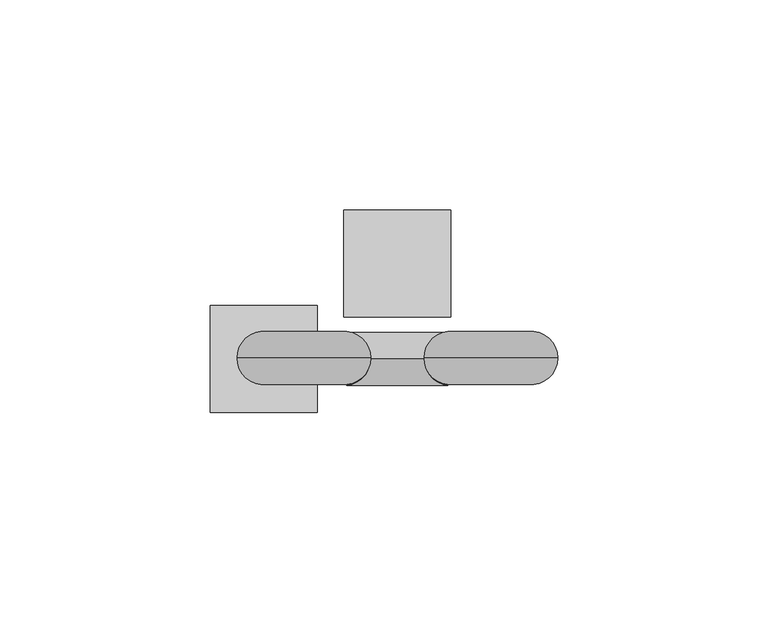
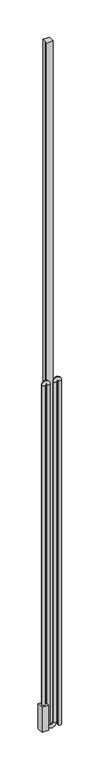
"""IFC4 building model written with IfcOpenShell, lengths in millimetres: proxy geometry."""

from ifc_helpers import new_model, si_unit, point, frame, origin, origin_with_axes, place, context, project, spatial, polyline, circle_curve, ellipse_curve, trimmed, outline, extrude, source, transform, mapped, element, save
from ifc_brep_helpers import plane_surface, cylinder_surface, revolved_surface, advanced_brep


def specialty_equipment_c77fc26e(model_context):
    return source(origin(), model_context, "Body", "SolidModel", [
        extrude(outline(polyline([(-19.05, -34.925), (-44.45, -34.925), (-44.45, -9.525), (-19.05, -9.525), (-19.05, -34.925)])), origin_with_axes(), (0.0, 0.0, 1.0), 101.6),
        advanced_brep(
        [(-25.4, -22.225, 101.6), (-38.1, -22.225, 101.6), (25.4, -22.225, 0.0), (38.1, -22.225, 0.0), (-25.4, -22.225, 1406.525), (-38.1, -22.225, 1406.525), (38.1, -22.225, 1406.525), (25.4, -22.225, 1406.525), (-6.35, -22.225, 1406.525), (-19.05, -22.225, 1406.525), (-19.05, -22.225, 15.875), (-6.35, -22.225, 15.875), (6.35, -22.225, 15.875), (19.05, -22.225, 15.875), (19.05, -22.225, 1406.525), (6.35, -22.225, 1406.525)],
        [
            (0, 1, circle_curve(frame((-31.75, -22.225, 101.6), z_axis=(0.0, 0.0, -1.0), x_axis=(-1.0, 0.0, 0.0)), 6.35)),
            (1, 0, circle_curve(frame((-31.75, -22.225, 101.6), z_axis=(0.0, 0.0, -1.0), x_axis=(-1.0, 0.0, 0.0)), 6.35)),
            (2, 3, circle_curve(frame((31.75, -22.225, 0.0), z_axis=(0.0, 0.0, -1.0), x_axis=(1.0, 0.0, 0.0)), 6.35)),
            (3, 2, circle_curve(frame((31.75, -22.225, 0.0), z_axis=(0.0, 0.0, -1.0), x_axis=(1.0, 0.0, 0.0)), 6.35)),
            (0, 4),
            (4, 5, circle_curve(frame((-31.75, -22.225, 1406.525), z_axis=(0.0, 0.0, -1.0), x_axis=(-1.0, 0.0, 0.0)), 6.35)),
            (5, 1),
            (5, 4, circle_curve(frame((-31.75, -22.225, 1406.525), z_axis=(0.0, 0.0, -1.0), x_axis=(-1.0, 0.0, 0.0)), 6.35)),
            (6, 7, circle_curve(frame((31.75, -22.225, 1406.525), z_axis=(0.0, 0.0, -1.0), x_axis=(1.0, 0.0, 0.0)), 6.35)),
            (7, 2),
            (3, 6),
            (7, 6, circle_curve(frame((31.75, -22.225, 1406.525), z_axis=(0.0, 0.0, -1.0), x_axis=(1.0, 0.0, 0.0)), 6.35)),
            (8, 5, circle_curve(frame((-22.225, -22.225, 1406.525), z_axis=(0.0, -1.0, 0.0), x_axis=(-1.0, 0.0, 0.0)), 15.875)),
            (4, 9, circle_curve(frame((-22.225, -22.225, 1406.525), z_axis=(0.0, 1.0, 0.0), x_axis=(-1.0, 0.0, 0.0)), 3.175)),
            (9, 8, circle_curve(frame((-12.7, -22.225, 1406.525), z_axis=(0.0, 0.0, 1.0), x_axis=(1.0, 0.0, 0.0)), 6.35)),
            (8, 9, circle_curve(frame((-12.7, -22.225, 1406.525), z_axis=(0.0, 0.0, 1.0), x_axis=(1.0, 0.0, 0.0)), 6.35)),
            (9, 10),
            (10, 11, circle_curve(frame((-12.7, -22.225, 15.875), z_axis=(0.0, 0.0, 1.0), x_axis=(1.0, 0.0, 0.0)), 6.35)),
            (11, 8),
            (11, 10, circle_curve(frame((-12.7, -22.225, 15.875), z_axis=(0.0, 0.0, 1.0), x_axis=(1.0, 0.0, 0.0)), 6.35)),
            (12, 11, circle_curve(frame((0.0, -22.225, 15.875), z_axis=(0.0, 1.0, 0.0), x_axis=(-1.0, 0.0, 0.0)), 6.35)),
            (10, 13, circle_curve(frame((0.0, -22.225, 15.875), z_axis=(0.0, -1.0, 0.0), x_axis=(-1.0, 0.0, 0.0)), 19.05)),
            (13, 12, circle_curve(frame((12.7, -22.225, 15.875), z_axis=(0.0, 0.0, -1.0), x_axis=(-1.0, 0.0, 0.0)), 6.35)),
            (12, 13, circle_curve(frame((12.7, -22.225, 15.875), z_axis=(0.0, 0.0, -1.0), x_axis=(-1.0, 0.0, 0.0)), 6.35)),
            (13, 14),
            (14, 15, circle_curve(frame((12.7, -22.225, 1406.525), z_axis=(0.0, 0.0, -1.0), x_axis=(-1.0, 0.0, 0.0)), 6.35)),
            (15, 12),
            (15, 14, circle_curve(frame((12.7, -22.225, 1406.525), z_axis=(0.0, 0.0, -1.0), x_axis=(-1.0, 0.0, 0.0)), 6.35)),
            (6, 15, circle_curve(frame((22.225, -22.225, 1406.525), z_axis=(0.0, -1.0, 0.0), x_axis=(-1.0, 0.0, 0.0)), 15.875)),
            (14, 7, circle_curve(frame((22.225, -22.225, 1406.525), z_axis=(0.0, 1.0, 0.0), x_axis=(-1.0, 0.0, 0.0)), 3.175)),
        ],
        [
            plane_surface(frame((-31.75, 41.275, 101.6), z_axis=(0.0, 0.0, -1.0), x_axis=(0.0, -1.0, 0.0))),
            plane_surface(frame((31.75, 41.275, 0.0), z_axis=(0.0, 0.0, -1.0), x_axis=(0.0, -1.0, 0.0))),
            cylinder_surface(frame((-31.75, -22.225, 101.6), z_axis=(0.0, 0.0, -1.0), x_axis=(-1.0, 0.0, 0.0)), 6.35),
            cylinder_surface(frame((31.75, -22.225, 1406.525), z_axis=(0.0, 0.0, 1.0), x_axis=(1.0, 0.0, 0.0)), 6.35),
            revolved_surface(trimmed(ellipse_curve(frame((-31.75, -22.225, 1406.525), z_axis=(0.0, 0.0, -1.0), x_axis=(-1.0, 0.0, 0.0)), 6.35, 6.35), [point((-25.4, -22.225, 1406.525))], [point((-38.1, -22.225, 1406.525))], True, "CARTESIAN"), (-22.225, 41.275, 1406.525), (0.0, 1.0, 0.0)),
            revolved_surface(trimmed(ellipse_curve(frame((-31.75, -22.225, 1406.525), z_axis=(0.0, 0.0, -1.0), x_axis=(-1.0, 0.0, 0.0)), 6.35, 6.35), [point((-38.1, -22.225, 1406.525))], [point((-25.4, -22.225, 1406.525))], True, "CARTESIAN"), (-22.225, 41.275, 1406.525), (0.0, 1.0, 0.0)),
            cylinder_surface(frame((-12.7, -22.225, 1406.525), z_axis=(0.0, 0.0, 1.0), x_axis=(1.0, 0.0, 0.0)), 6.35),
            revolved_surface(trimmed(ellipse_curve(frame((-12.7, -22.225, 15.875), z_axis=(0.0, 0.0, 1.0), x_axis=(1.0, 0.0, 0.0)), 6.35, 6.35), [point((-19.05, -22.225, 15.875))], [point((-6.35, -22.225, 15.875))], True, "CARTESIAN"), (0.0, 41.275, 15.875), (0.0, -1.0, 0.0)),
            revolved_surface(trimmed(ellipse_curve(frame((-12.7, -22.225, 15.875), z_axis=(0.0, 0.0, 1.0), x_axis=(1.0, 0.0, 0.0)), 6.35, 6.35), [point((-6.35, -22.225, 15.875))], [point((-19.05, -22.225, 15.875))], True, "CARTESIAN"), (0.0, 41.275, 15.875), (0.0, -1.0, 0.0)),
            cylinder_surface(frame((12.7, -22.225, 15.875), z_axis=(0.0, 0.0, -1.0), x_axis=(-1.0, 0.0, 0.0)), 6.35),
            revolved_surface(trimmed(ellipse_curve(frame((12.7, -22.225, 1406.525), z_axis=(0.0, 0.0, -1.0), x_axis=(-1.0, 0.0, 0.0)), 6.35, 6.35), [point((19.05, -22.225, 1406.525))], [point((6.35, -22.225, 1406.525))], True, "CARTESIAN"), (22.225, 41.275, 1406.525), (0.0, 1.0, 0.0)),
            revolved_surface(trimmed(ellipse_curve(frame((12.7, -22.225, 1406.525), z_axis=(0.0, 0.0, -1.0), x_axis=(-1.0, 0.0, 0.0)), 6.35, 6.35), [point((6.35, -22.225, 1406.525))], [point((19.05, -22.225, 1406.525))], True, "CARTESIAN"), (22.225, 41.275, 1406.525), (0.0, 1.0, 0.0)),
        ],
        [
            (0, [[1, 2]]),
            (1, [[3, 4]]),
            (2, [[-1, 5, 6, 7]]),
            (2, [[-2, -7, 8, -5]]),
            (3, [[9, 10, -4, 11]]),
            (3, [[12, -11, -3, -10]]),
            (4, [[13, -6, 14, 15]]),
            (5, [[-14, -8, -13, 16]]),
            (6, [[-15, 17, 18, 19]]),
            (6, [[-16, -19, 20, -17]]),
            (7, [[21, -18, 22, 23]]),
            (8, [[-22, -20, -21, 24]]),
            (9, [[-23, 25, 26, 27]]),
            (9, [[-24, -27, 28, -25]]),
            (10, [[29, -26, 30, -9]]),
            (11, [[-30, -28, -29, -12]]),
        ],
    ),
        extrude(outline(polyline([(-12.7, 12.7), (12.7, 12.7), (12.7, -12.7), (-12.7, -12.7), (-12.7, 0.0), (-12.7, 12.7)])), origin_with_axes(), (0.0, 0.0, 1.0), 2794.0),
    ])


if __name__ == "__main__":
    model = new_model("IFC4")
    model_context = context("Model", 3, world=origin())
    ifc_project = project(units=[si_unit("LENGTHUNIT", "METRE", prefix="MILLI")], contexts=[model_context])
    site = spatial("IfcSite", under=ifc_project)
    building = spatial("IfcBuilding", under=site)
    placement = place(None, origin())
    specialty_equipment_shape = specialty_equipment_c77fc26e(model_context)
    element("IfcBuildingElementProxy", 1, Name="Specialty Equipment", at=placement, inside=building, context=model_context, shape_type="MappedRepresentation", body=[
        mapped(specialty_equipment_shape, transform((0.0, 0.0, 0.0), x_axis=(1.0, 0.0, 0.0), y_axis=(0.0, 1.0, 0.0), z_axis=(0.0, 0.0, 1.0))),
    ])
    save(model, "model.ifc")
